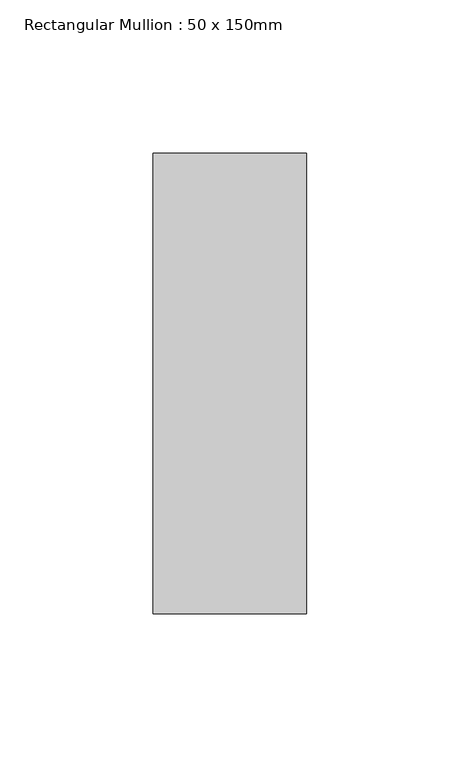
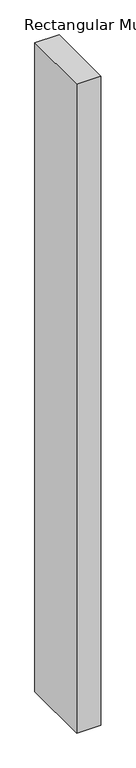
"""IFC4 building model written with IfcOpenShell, lengths in millimetres: member geometry, Rectangular Mullion : 50 x 150mm."""

from ifc_helpers import new_model, si_unit, frame, origin, place, context, project, spatial, polyline, outline, extrude, source, transform, mapped, element, save


def rectangular_mullion_50_x_150mm_f22c7283(model_context):
    return source(origin(), model_context, "Body", "SweptSolid", [
        extrude(outline(polyline([(25.0, 75.0), (25.0, -75.0), (-25.0, -75.0), (-25.0, 75.0), (25.0, 75.0)])), frame((0.0, 0.0, -1420.0), z_axis=(0.0, 0.0, 1.0), x_axis=(1.0, 0.0, 0.0)), (0.0, 0.0, 1.0), 1420.0),
    ])


if __name__ == "__main__":
    model = new_model("IFC4")
    model_context = context("Model", 3, world=origin())
    ifc_project = project(units=[si_unit("LENGTHUNIT", "METRE", prefix="MILLI")], contexts=[model_context])
    site = spatial("IfcSite", under=ifc_project)
    building = spatial("IfcBuilding", under=site)
    placement = place(None, origin())
    rectangular_mullion_50_x_150mm_shape = rectangular_mullion_50_x_150mm_f22c7283(model_context)
    element("IfcMember", 1, ObjectType="Rectangular Mullion : 50 x 150mm", at=placement, inside=building, context=model_context, shape_type="MappedRepresentation", body=[
        mapped(rectangular_mullion_50_x_150mm_shape, transform((0.0, 0.0, 0.0), x_axis=(1.0, 0.0, 0.0), y_axis=(0.0, 1.0, 0.0), z_axis=(0.0, 0.0, 1.0))),
    ])
    save(model, "model.ifc")
